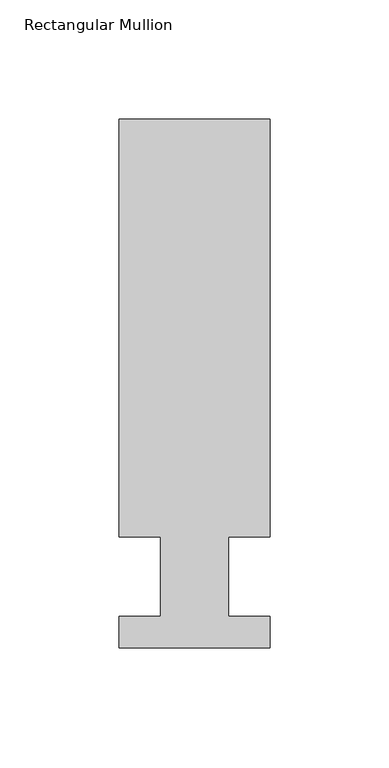
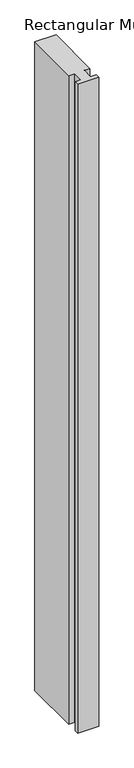
"""IFC4 building model written with IfcOpenShell, lengths in millimetres: member geometry, Rectangular Mullion."""

from ifc_helpers import new_model, si_unit, frame, origin, place, context, project, spatial, polyline, outline, extrude, source, transform, mapped, element, save


def rectangular_mullion_256fdba0(model_context):
    return source(origin(), model_context, "Body", "SweptSolid", [
        extrude(outline(polyline([(-31.75, 222.5381313), (31.7500001, 222.5381313), (31.7500001, 46.7447312), (14.2748001, 46.7447312), (14.2748001, 13.3945312), (31.7499996, 13.3945312), (31.7499996, 0.2119312), (-31.7500004, 0.2119312), (-31.7500004, 13.3945312), (-14.2748009, 13.3945312), (-14.2748009, 46.7447312), (-31.75, 46.7447312), (-31.75, 222.5381313)])), frame((0.0, 0.0, -2057.4), z_axis=(0.0, 0.0, 1.0), x_axis=(1.0, 0.0, 0.0)), (0.0, 0.0, 1.0), 2057.4),
    ])


if __name__ == "__main__":
    model = new_model("IFC4")
    model_context = context("Model", 3, world=origin())
    ifc_project = project(units=[si_unit("LENGTHUNIT", "METRE", prefix="MILLI")], contexts=[model_context])
    site = spatial("IfcSite", under=ifc_project)
    building = spatial("IfcBuilding", under=site)
    placement = place(None, origin())
    rectangular_mullion_shape = rectangular_mullion_256fdba0(model_context)
    element("IfcMember", 1, ObjectType="Rectangular Mullion", at=placement, inside=building, context=model_context, shape_type="MappedRepresentation", body=[
        mapped(rectangular_mullion_shape, transform((0.0, 0.0, 0.0), x_axis=(1.0, 0.0, 0.0), y_axis=(0.0, 1.0, 0.0), z_axis=(0.0, 0.0, 1.0))),
    ])
    save(model, "model.ifc")
